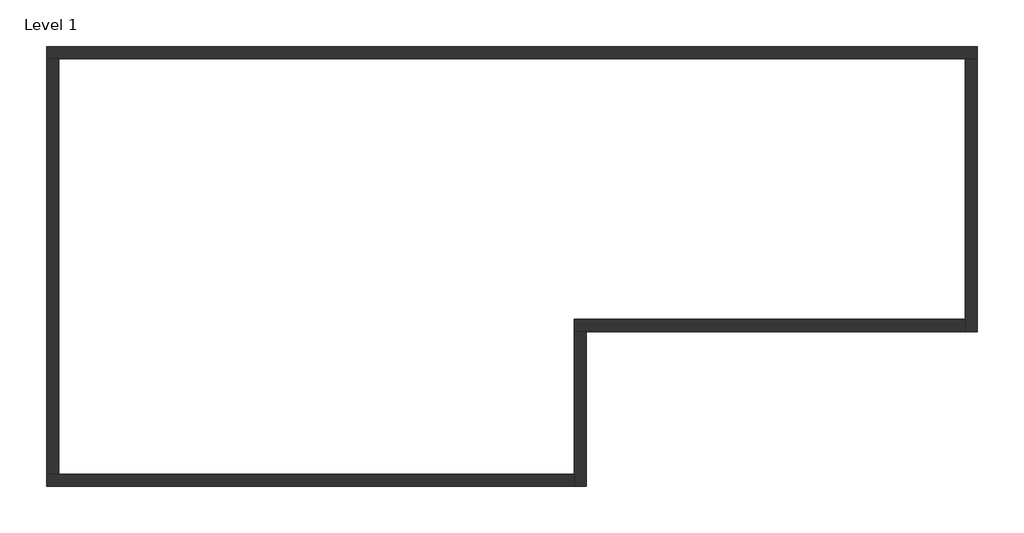
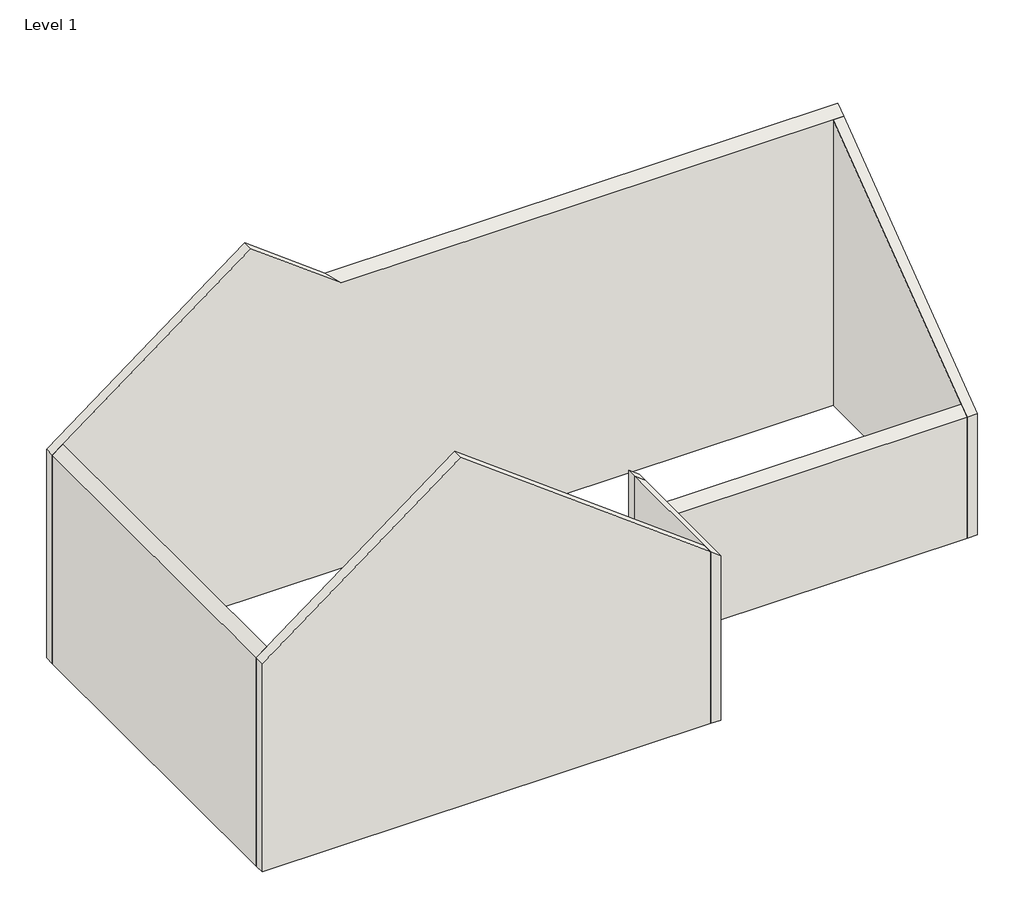
# One storey: 6 walls.
"""IFC4 building model written with IfcOpenShell, lengths in millimetres."""

from ifc_helpers import new_model, si_unit, frame, origin, place, context, project, spatial, polyline, outline, extrude, faceted_brep, element, save

model = new_model("IFC4")

# Units and contexts
model_context = context("Model", 3, world=origin())
ifc_project = project(units=[si_unit("LENGTHUNIT", "METRE", prefix="MILLI")], contexts=[model_context])

# Site, building, storey
site = spatial("IfcSite", under=ifc_project)
building = spatial("IfcBuilding", under=site)
storey = spatial("IfcBuildingStorey", under=building, Name="Level 1", Elevation=0.0)

# Walls
placement = place(None, origin())
element("IfcWall", 1, ObjectType="Generic - 8\"", at=placement, inside=storey, context=model_context, shape_type="Brep", body=[
    faceted_brep([(-11520.2707879, 4454.6689934, 0.0), (-11317.0707879, 4454.6689934, 0.0), (3872.1292121, 4454.6689934, 0.0), (4075.3292121, 4454.6689934, 0.0), (4075.3292121, 4454.6689934, 5943.6), (3872.1292121, 4454.6689934, 5943.6), (-5830.6707879, 4454.6689934, 5943.6), (-7608.6707879, 4454.6689934, 7277.1), (-11317.0707879, 4454.6689934, 4495.8), (-11520.2707879, 4454.6689934, 4343.4), (-11520.2707879, 4657.8689934, 0.0), (-11520.2707879, 4657.8689934, 4343.4), (-7608.6707879, 4657.8689934, 7277.1), (-6033.8707879, 4657.8689934, 6096.0), (4075.3292121, 4657.8689934, 6096.0), (4075.3292121, 4657.8689934, 0.0)], [[[0, 1, 2, 3, 4, 5, 6, 7, 8, 9]], [[10, 11, 12, 13, 14, 15]], [[3, 2, 1, 0, 10, 15]], [[4, 3, 15, 14]], [[0, 9, 11, 10]], [[9, 8, 7, 12, 11]], [[7, 6, 13, 12]], [[6, 5, 4, 14, 13]]]),
])
element("IfcWall", 2, ObjectType="Generic - 8\"", at=placement, inside=storey, context=model_context, shape_type="Brep", body=[
    faceted_brep([(3872.1292121, 4454.6689934, 0.0), (3872.1292121, 85.8689934, 0.0), (3872.1292121, -117.3310066, 0.0), (3872.1292121, -117.3310066, 2514.6), (3872.1292121, 85.8689934, 2667.0), (3872.1292121, 4454.6689934, 5943.6), (4075.3292121, 4454.6689934, 0.0), (4075.3292121, 4454.6689934, 5943.6), (4075.3292121, -117.3310066, 2514.6), (4075.3292121, -117.3310066, 0.0)], [[[0, 1, 2, 3, 4, 5]], [[6, 7, 8, 9]], [[2, 1, 0, 6, 9]], [[0, 5, 7, 6]], [[3, 2, 9, 8]], [[5, 4, 3, 8, 7]]]),
])
element("IfcWall", 3, ObjectType="Generic - 8\"", at=placement, inside=storey, context=model_context, shape_type="Brep", body=[
    faceted_brep([(3872.1292121, 85.8689934, 0.0), (-2681.0707879, 85.8689934, 0.0), (-2681.0707879, 85.8689934, 3581.4), (-2477.8707879, 85.8689934, 3429.0), (-2477.8707879, 85.8689934, 2667.0), (3872.1292121, 85.8689934, 2667.0), (3872.1292121, -117.3310066, 0.0), (3872.1292121, -117.3310066, 2514.6), (-2477.8707879, -117.3310066, 2514.6), (-2477.8707879, -117.3310066, 3429.0), (-2681.0707879, -117.3310066, 3581.4), (-2681.0707879, -117.3310066, 0.0), (-2477.8707879, -117.3310066, 0.0)], [[[0, 1, 2, 3, 4, 5]], [[6, 7, 8, 9, 10, 11, 12]], [[1, 0, 6, 12, 11]], [[0, 5, 7, 6]], [[2, 1, 11, 10]], [[8, 4, 3, 9]], [[5, 4, 8, 7]], [[3, 2, 10, 9]]]),
])
element("IfcWall", 4, ObjectType="Generic - 8\"", at=placement, inside=storey, context=model_context, shape_type="Brep", body=[
    faceted_brep([(-2681.0707879, -117.3310066, 0.0), (-2681.0707879, -2504.9310066, 0.0), (-2681.0707879, -2708.1310066, 0.0), (-2681.0707879, -2708.1310066, 3581.4), (-2681.0707879, -2504.9310066, 3581.4), (-2681.0707879, -117.3310066, 3581.4), (-2477.8707879, -117.3310066, 0.0), (-2477.8707879, -117.3310066, 2514.6), (-2477.8707879, -117.3310066, 3429.0), (-2477.8707879, -2708.1310066, 3429.0), (-2477.8707879, -2708.1310066, 0.0)], [[[0, 1, 2, 3, 4, 5]], [[6, 7, 8, 9, 10]], [[2, 1, 0, 6, 10]], [[0, 5, 8, 7, 6]], [[3, 2, 10, 9]], [[5, 4, 3, 9, 8]]]),
])
element("IfcWall", 5, ObjectType="Generic - 8\"", at=placement, inside=storey, context=model_context, shape_type="Brep", body=[
    faceted_brep([(-2681.0707879, -2504.9310066, 0.0), (-11317.0707879, -2504.9310066, 0.0), (-11520.2707879, -2504.9310066, 0.0), (-11520.2707879, -2504.9310066, 4343.4), (-11317.0707879, -2504.9310066, 4495.8), (-7608.6707879, -2504.9310066, 7277.1), (-2681.0707879, -2504.9310066, 3581.4), (-2681.0707879, -2708.1310066, 0.0), (-2681.0707879, -2708.1310066, 3581.4), (-7608.6707879, -2708.1310066, 7277.1), (-11520.2707879, -2708.1310066, 4343.4), (-11520.2707879, -2708.1310066, 0.0)], [[[0, 1, 2, 3, 4, 5, 6]], [[7, 8, 9, 10, 11]], [[2, 1, 0, 7, 11]], [[0, 6, 8, 7]], [[3, 2, 11, 10]], [[6, 5, 9, 8]], [[5, 4, 3, 10, 9]]]),
])
element("IfcWall", 6, ObjectType="Generic - 8\"", at=placement, inside=storey, context=model_context, shape_type="SweptSolid", body=[
    extrude(outline(polyline([(0.0, -11317.0707879), (4495.8, -11317.0707879), (4343.4, -11520.2707879), (0.0, -11520.2707879), (0.0, -11317.0707879)])), frame((0.0, -2504.9310066, 0.0), z_axis=(0.0, 1.0, 0.0), x_axis=(0.0, 0.0, 1.0)), (0.0, 0.0, 1.0), 6959.6),
])

save(model, "model.ifc")
